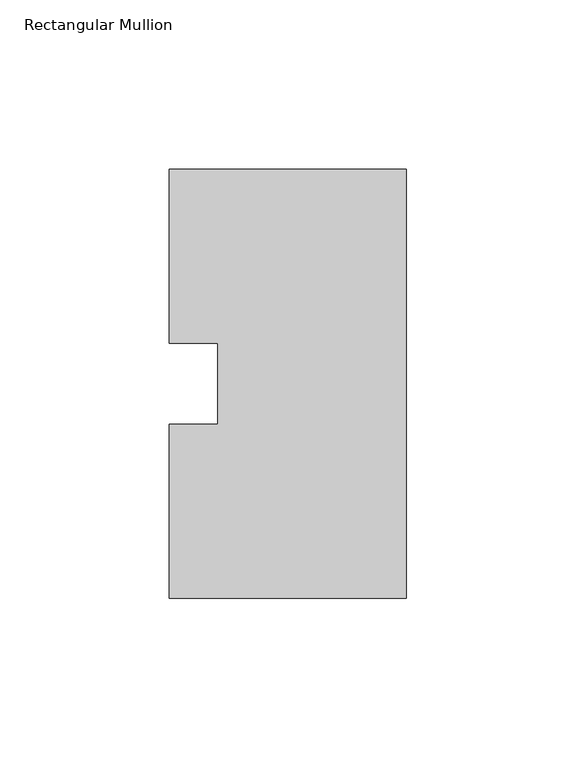
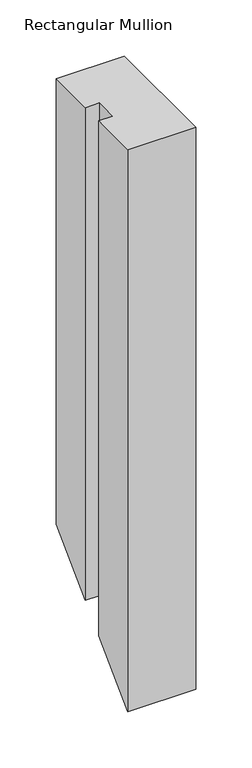
"""IFC4 building model written with IfcOpenShell, lengths in millimetres: member geometry, Rectangular Mullion."""

from ifc_helpers import new_model, si_unit, origin, place, context, project, spatial, faceted_brep, source, transform, mapped, element, save


def rectangular_mullion_57d5a588(model_context):
    return source(origin(), model_context, "Body", "Brep", [
        faceted_brep([(-69.85, 0.26035, 0.0), (0.0, 0.26035, 0.0), (0.0, 126.75235, 0.0), (-69.85, 126.75235, 0.0), (-69.85, 75.40625, 0.0), (-55.5625, 75.40625, 0.0), (-55.5625, 51.60645, 0.0), (-69.85, 51.60645, 0.0), (-69.85, 0.26035, -609.33965), (0.0, 0.26035, -609.33965), (0.0, 126.75235, -482.84765), (-69.85, 126.75235, -482.84765), (-69.85, 75.40625, -534.19375), (-55.5625, 75.40625, -534.19375), (-55.5625, 51.60645, -557.99355), (-69.85, 51.60645, -557.99355)], [[[0, 1, 2, 3, 4, 5, 6, 7]], [[1, 0, 8, 9]], [[2, 1, 9, 10]], [[3, 2, 10, 11]], [[4, 3, 11, 12]], [[5, 4, 12, 13]], [[6, 5, 13, 14]], [[7, 6, 14, 15]], [[0, 7, 15, 8]], [[8, 15, 14, 13, 12, 11, 10, 9]]]),
    ])


if __name__ == "__main__":
    model = new_model("IFC4")
    model_context = context("Model", 3, world=origin())
    ifc_project = project(units=[si_unit("LENGTHUNIT", "METRE", prefix="MILLI")], contexts=[model_context])
    site = spatial("IfcSite", under=ifc_project)
    building = spatial("IfcBuilding", under=site)
    placement = place(None, origin())
    rectangular_mullion_shape = rectangular_mullion_57d5a588(model_context)
    element("IfcMember", 1, ObjectType="Rectangular Mullion", at=placement, inside=building, context=model_context, shape_type="MappedRepresentation", body=[
        mapped(rectangular_mullion_shape, transform((0.0, 0.0, 0.0), x_axis=(1.0, 0.0, 0.0), y_axis=(0.0, 1.0, 0.0), z_axis=(0.0, 0.0, 1.0))),
    ])
    save(model, "model.ifc")
